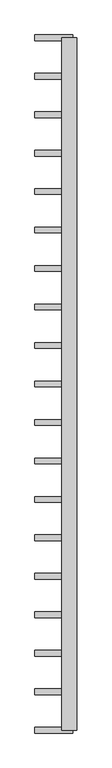
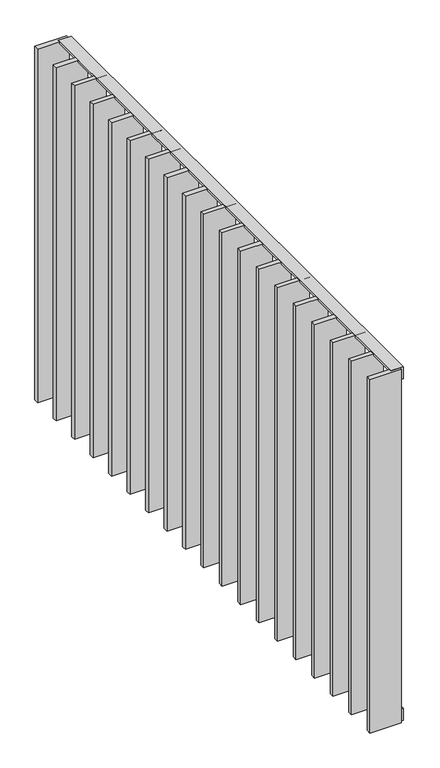
"""IFC4 building model written with IfcOpenShell, lengths in millimetres: railing geometry."""

from ifc_helpers import new_model, si_unit, frame, origin, place, context, project, spatial, polyline, outline, extrude, source, transform, mapped, element, save


def railing_b887a5c1(model_context):
    return source(origin(), model_context, "Body", "SweptSolid", [
        extrude(outline(polyline([(-6.0, 14.0), (-40.0, 14.0), (-40.0, 20.0), (0.0, 20.0), (0.0, -20.0), (-6.0, -20.0), (-6.0, 14.0)])), frame((42559.5112064, 2764.7883888, 8000.0), z_axis=(2.5771642695362543e-12, 1.0, 0.0), x_axis=(0.0, 0.0, 1.0)), (0.0, 0.0, 1.0), 1820.0),
        extrude(outline(polyline([(6.0, 14.0), (6.0, -20.0), (0.0, -20.0), (0.0, 20.0), (40.0, 20.0), (40.0, 14.0), (6.0, 14.0)])), frame((42559.5112064, 2764.7883888, 6820.0), z_axis=(2.5771642695362543e-12, 1.0, 0.0), x_axis=(0.0, 0.0, 1.0)), (0.0, 0.0, 1.0), 1820.0),
        extrude(outline(polyline([(42569.5112064, 4476.1772777), (42469.5112064, 4476.1772777), (42469.5112064, 4491.1772777), (42569.5112064, 4491.1772777), (42569.5112064, 4476.1772777)])), frame((0.0, 0.0, 6819.9), z_axis=(0.0, 0.0, 1.0), x_axis=(1.0, 0.0, 0.0)), (0.0, 0.0, 1.0), 1180.2),
        extrude(outline(polyline([(42569.5112064, 4375.0661666), (42469.5112064, 4375.0661666), (42469.5112064, 4390.0661666), (42569.5112064, 4390.0661666), (42569.5112064, 4375.0661666)])), frame((0.0, 0.0, 6819.9), z_axis=(0.0, 0.0, 1.0), x_axis=(1.0, 0.0, 0.0)), (0.0, 0.0, 1.0), 1180.2),
        extrude(outline(polyline([(42569.5112064, 4273.9550555), (42469.5112064, 4273.9550555), (42469.5112064, 4288.9550555), (42569.5112064, 4288.9550555), (42569.5112064, 4273.9550555)])), frame((0.0, 0.0, 6819.9), z_axis=(0.0, 0.0, 1.0), x_axis=(1.0, 0.0, 0.0)), (0.0, 0.0, 1.0), 1180.2),
        extrude(outline(polyline([(42569.5112064, 4172.8439443), (42469.5112064, 4172.8439443), (42469.5112064, 4187.8439443), (42569.5112064, 4187.8439443), (42569.5112064, 4172.8439443)])), frame((0.0, 0.0, 6819.9), z_axis=(0.0, 0.0, 1.0), x_axis=(1.0, 0.0, 0.0)), (0.0, 0.0, 1.0), 1180.2),
        extrude(outline(polyline([(42569.5112064, 4071.7328332), (42469.5112064, 4071.7328332), (42469.5112064, 4086.7328332), (42569.5112064, 4086.7328332), (42569.5112064, 4071.7328332)])), frame((0.0, 0.0, 6819.9), z_axis=(0.0, 0.0, 1.0), x_axis=(1.0, 0.0, 0.0)), (0.0, 0.0, 1.0), 1180.2),
        extrude(outline(polyline([(42569.5112064, 3970.6217221), (42469.5112064, 3970.6217221), (42469.5112064, 3985.6217221), (42569.5112064, 3985.6217221), (42569.5112064, 3970.6217221)])), frame((0.0, 0.0, 6819.9), z_axis=(0.0, 0.0, 1.0), x_axis=(1.0, 0.0, 0.0)), (0.0, 0.0, 1.0), 1180.2),
        extrude(outline(polyline([(42569.5112064, 3869.510611), (42469.5112064, 3869.510611), (42469.5112064, 3884.510611), (42569.5112064, 3884.510611), (42569.5112064, 3869.510611)])), frame((0.0, 0.0, 6819.9), z_axis=(0.0, 0.0, 1.0), x_axis=(1.0, 0.0, 0.0)), (0.0, 0.0, 1.0), 1180.2),
        extrude(outline(polyline([(42569.5112064, 3768.3994999), (42469.5112064, 3768.3994999), (42469.5112064, 3783.3994999), (42569.5112064, 3783.3994999), (42569.5112064, 3768.3994999)])), frame((0.0, 0.0, 6819.9), z_axis=(0.0, 0.0, 1.0), x_axis=(1.0, 0.0, 0.0)), (0.0, 0.0, 1.0), 1180.2),
        extrude(outline(polyline([(42569.5112064, 3667.2883888), (42469.5112064, 3667.2883888), (42469.5112064, 3682.2883888), (42569.5112064, 3682.2883888), (42569.5112064, 3667.2883888)])), frame((0.0, 0.0, 6819.9), z_axis=(0.0, 0.0, 1.0), x_axis=(1.0, 0.0, 0.0)), (0.0, 0.0, 1.0), 1180.2),
        extrude(outline(polyline([(42569.5112064, 3566.1772777), (42469.5112064, 3566.1772777), (42469.5112064, 3581.1772777), (42569.5112064, 3581.1772777), (42569.5112064, 3566.1772777)])), frame((0.0, 0.0, 6819.9), z_axis=(0.0, 0.0, 1.0), x_axis=(1.0, 0.0, 0.0)), (0.0, 0.0, 1.0), 1180.2),
        extrude(outline(polyline([(42569.5112064, 3465.0661666), (42469.5112064, 3465.0661666), (42469.5112064, 3480.0661666), (42569.5112064, 3480.0661666), (42569.5112064, 3465.0661666)])), frame((0.0, 0.0, 6819.9), z_axis=(0.0, 0.0, 1.0), x_axis=(1.0, 0.0, 0.0)), (0.0, 0.0, 1.0), 1180.2),
        extrude(outline(polyline([(42569.5112064, 3363.9550555), (42469.5112064, 3363.9550555), (42469.5112064, 3378.9550555), (42569.5112064, 3378.9550555), (42569.5112064, 3363.9550555)])), frame((0.0, 0.0, 6819.9), z_axis=(0.0, 0.0, 1.0), x_axis=(1.0, 0.0, 0.0)), (0.0, 0.0, 1.0), 1180.2),
        extrude(outline(polyline([(42569.5112064, 3262.8439443), (42469.5112064, 3262.8439443), (42469.5112064, 3277.8439443), (42569.5112064, 3277.8439443), (42569.5112064, 3262.8439443)])), frame((0.0, 0.0, 6819.9), z_axis=(0.0, 0.0, 1.0), x_axis=(1.0, 0.0, 0.0)), (0.0, 0.0, 1.0), 1180.2),
        extrude(outline(polyline([(42569.5112064, 3161.7328332), (42469.5112064, 3161.7328332), (42469.5112064, 3176.7328332), (42569.5112064, 3176.7328332), (42569.5112064, 3161.7328332)])), frame((0.0, 0.0, 6819.9), z_axis=(0.0, 0.0, 1.0), x_axis=(1.0, 0.0, 0.0)), (0.0, 0.0, 1.0), 1180.2),
        extrude(outline(polyline([(42569.5112064, 3060.6217221), (42469.5112064, 3060.6217221), (42469.5112064, 3075.6217221), (42569.5112064, 3075.6217221), (42569.5112064, 3060.6217221)])), frame((0.0, 0.0, 6819.9), z_axis=(0.0, 0.0, 1.0), x_axis=(1.0, 0.0, 0.0)), (0.0, 0.0, 1.0), 1180.2),
        extrude(outline(polyline([(42569.5112064, 2959.510611), (42469.5112064, 2959.510611), (42469.5112064, 2974.510611), (42569.5112064, 2974.510611), (42569.5112064, 2959.510611)])), frame((0.0, 0.0, 6819.9), z_axis=(0.0, 0.0, 1.0), x_axis=(1.0, 0.0, 0.0)), (0.0, 0.0, 1.0), 1180.2),
        extrude(outline(polyline([(42569.5112064, 2858.3994999), (42469.5112064, 2858.3994999), (42469.5112064, 2873.3994999), (42569.5112064, 2873.3994999), (42569.5112064, 2858.3994999)])), frame((0.0, 0.0, 6819.9), z_axis=(0.0, 0.0, 1.0), x_axis=(1.0, 0.0, 0.0)), (0.0, 0.0, 1.0), 1180.2),
        extrude(outline(polyline([(42569.5112064, 4577.2883888), (42469.5112064, 4577.2883888), (42469.5112064, 4592.2883888), (42569.5112064, 4592.2883888), (42569.5112064, 4577.2883888)])), frame((0.0, 0.0, 6819.9), z_axis=(0.0, 0.0, 1.0), x_axis=(1.0, 0.0, 0.0)), (0.0, 0.0, 1.0), 1180.2),
        extrude(outline(polyline([(42569.5112064, 2757.2883888), (42469.5112064, 2757.2883888), (42469.5112064, 2772.2883888), (42569.5112064, 2772.2883888), (42569.5112064, 2757.2883888)])), frame((0.0, 0.0, 6819.9), z_axis=(0.0, 0.0, 1.0), x_axis=(1.0, 0.0, 0.0)), (0.0, 0.0, 1.0), 1180.2),
    ])


if __name__ == "__main__":
    model = new_model("IFC4")
    model_context = context("Model", 3, world=origin())
    ifc_project = project(units=[si_unit("LENGTHUNIT", "METRE", prefix="MILLI")], contexts=[model_context])
    site = spatial("IfcSite", under=ifc_project)
    building = spatial("IfcBuilding", under=site)
    placement = place(None, origin())
    railing_shape = railing_b887a5c1(model_context)
    element("IfcRailing", 1, at=placement, inside=building, context=model_context, shape_type="MappedRepresentation", body=[
        mapped(railing_shape, transform((0.0, 0.0, 0.0), x_axis=(1.0, 0.0, 0.0), y_axis=(0.0, 1.0, 0.0), z_axis=(0.0, 0.0, 1.0))),
    ])
    save(model, "model.ifc")
